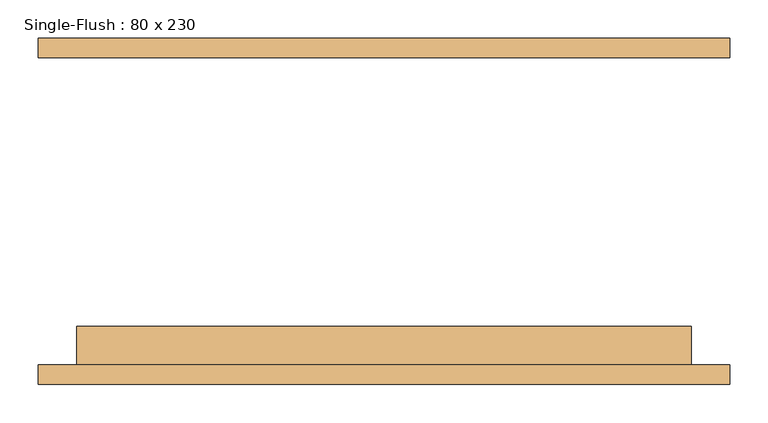
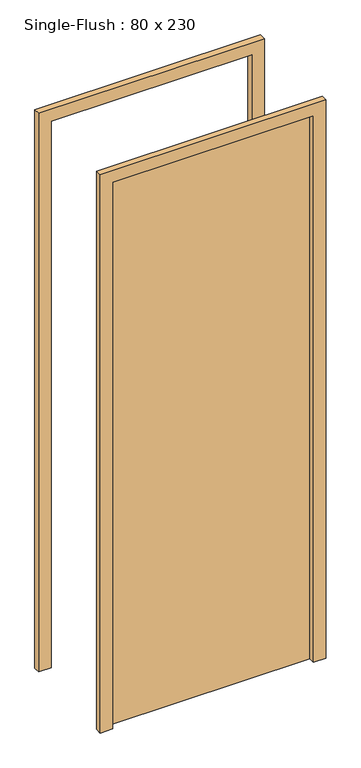
"""IFC4 building model written with IfcOpenShell, lengths in millimetres: door geometry, Single-Flush : 80 x 230."""

from ifc_helpers import new_model, si_unit, frame, origin, origin_with_axes, place, context, project, spatial, polyline, outline, extrude, source, transform, mapped, element, save


def single_flush_80_x_230_a6591b11(model_context):
    return source(origin(), model_context, "Body", "SweptSolid", [
        extrude(outline(polyline([(2350.0, -450.0), (0.0, -450.0), (0.0, -400.0), (2300.0, -400.0), (2300.0, 400.0), (0.0, 400.0), (0.0, 450.0), (2350.0, 450.0), (2350.0, -450.0)])), frame((0.0, -225.4, 0.0), z_axis=(0.0, 1.0, 0.0), x_axis=(0.0, 0.0, 1.0)), (0.0, 0.0, 1.0), 25.4),
        extrude(outline(polyline([(2350.0, 450.0), (2350.0, -450.0), (0.0, -450.0), (0.0, -400.0), (2300.0, -400.0), (2300.0, 400.0), (0.0, 400.0), (0.0, 450.0), (2350.0, 450.0)])), frame((0.0, 200.0, 0.0), z_axis=(0.0, 1.0, 0.0), x_axis=(0.0, 0.0, 1.0)), (0.0, 0.0, 1.0), 25.4),
        extrude(outline(polyline([(400.0, -150.0), (400.0, -200.0), (-400.0, -200.0), (-400.0, -150.0), (400.0, -150.0)])), origin_with_axes(), (0.0, 0.0, 1.0), 2300.0),
    ])


if __name__ == "__main__":
    model = new_model("IFC4")
    model_context = context("Model", 3, world=origin())
    ifc_project = project(units=[si_unit("LENGTHUNIT", "METRE", prefix="MILLI")], contexts=[model_context])
    site = spatial("IfcSite", under=ifc_project)
    building = spatial("IfcBuilding", under=site)
    placement = place(None, origin())
    single_flush_80_x_230_shape = single_flush_80_x_230_a6591b11(model_context)
    element("IfcDoor", 1, ObjectType="Single-Flush : 80 x 230", at=placement, inside=building, context=model_context, shape_type="MappedRepresentation", body=[
        mapped(single_flush_80_x_230_shape, transform((0.0, 0.0, 0.0), x_axis=(1.0, 0.0, 0.0), y_axis=(0.0, 1.0, 0.0), z_axis=(0.0, 0.0, 1.0))),
    ])
    save(model, "model.ifc")
